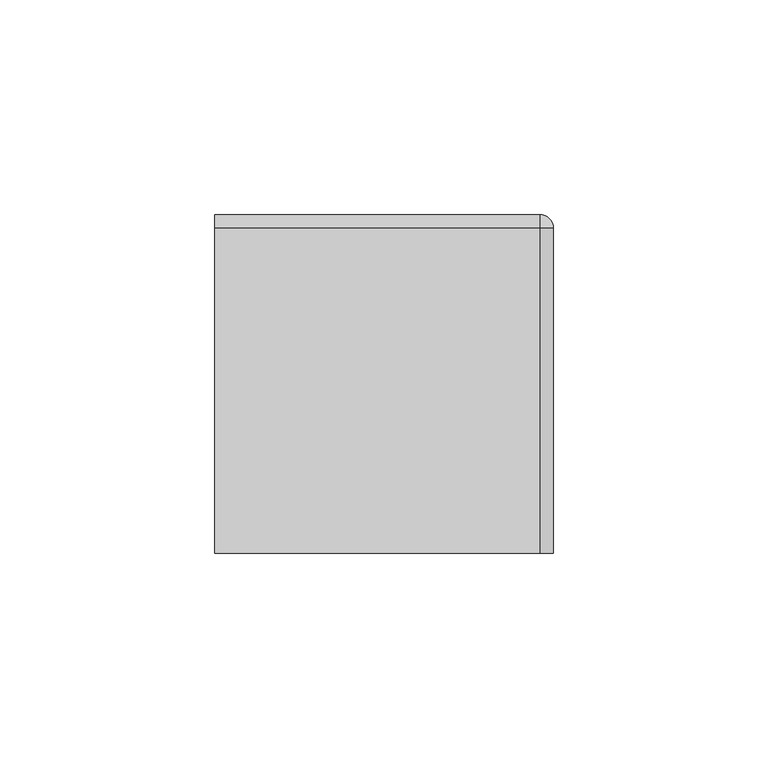
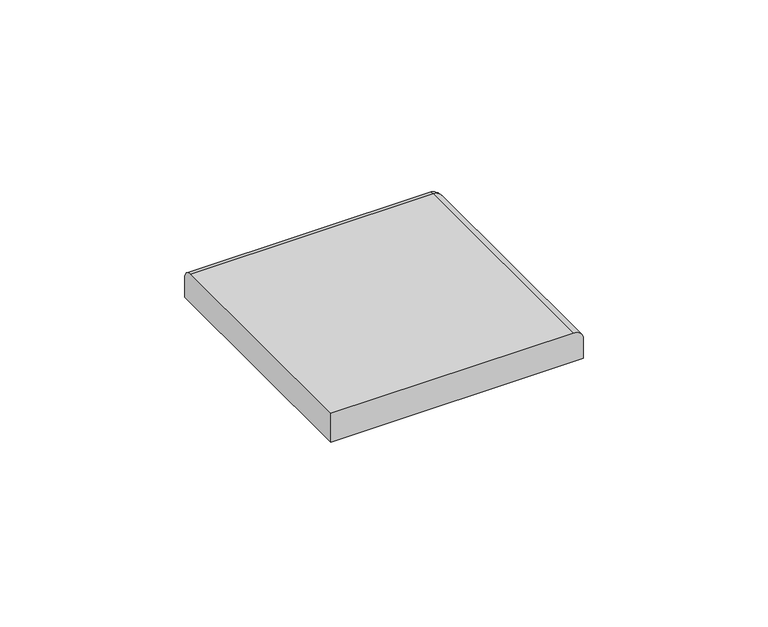
"""IFC4 building model written with IfcOpenShell, lengths in millimetres: furniture geometry."""

from ifc_helpers import new_model, si_unit, point, frame, origin, place, context, project, spatial, circle_curve, ellipse_curve, trimmed, source, transform, mapped, element, save
from ifc_brep_helpers import plane_surface, cylinder_surface, revolved_surface, advanced_brep


def furniture_005c7228(model_context):
    return source(origin(), model_context, "Body", "AdvancedBrep", [
        advanced_brep(
        [(39.4890625, -39.4890625, 1709.1421875), (39.4890625, -39.4890625, 1715.4921883), (36.3140655, -39.4890625, 1718.6671875), (-39.4890625, -39.4890625, 1718.6671875), (-39.4890625, -39.4890625, 1709.1421875), (39.4890625, 36.3140625, 1709.1421875), (39.4890625, 36.3140625, 1715.4921883), (36.3140655, 36.3140625, 1718.6671875), (-39.4890625, 36.3140633, 1718.6671875), (36.3140655, 36.3140625, 1709.1421875), (-39.4890625, 39.4890625, 1709.1421875), (36.3140655, 39.4890625, 1709.1421875), (-39.4890625, 39.4890625, 1715.4921883), (36.3140655, 39.4890625, 1715.4921883)],
        [
            (0, 1),
            (1, 2, circle_curve(frame((36.3140655, -39.4890625, 1715.4921905), z_axis=(0.0, -1.0, 0.0), x_axis=(-1.0, 0.0, 0.0)), 3.174997)),
            (2, 3),
            (3, 4),
            (4, 0),
            (0, 5),
            (5, 6),
            (6, 1),
            (2, 7),
            (7, 8),
            (8, 3),
            (5, 9),
            (9, 7),
            (7, 6, circle_curve(frame((36.3140655, 36.3140625, 1715.4921905), z_axis=(0.0, 1.0, 0.0), x_axis=(-1.0, 0.0, 0.0)), 3.174997)),
            (4, 10),
            (10, 11),
            (11, 9),
            (8, 12, circle_curve(frame((-39.4890625, 36.3140633, 1715.4921883), z_axis=(-1.0, 0.0, 0.0), x_axis=(0.0, -1.0, 0.0)), 3.1749992)),
            (12, 10),
            (11, 13),
            (13, 7, circle_curve(frame((36.3140655, 36.3140633, 1715.4921883), z_axis=(1.0, 0.0, 0.0), x_axis=(0.0, -1.0, 0.0)), 3.1749992)),
            (12, 13),
        ],
        [
            plane_surface(frame((39.4890625, -39.4890625, 1718.6671875), z_axis=(0.0, -1.0, 0.0), x_axis=(0.0, 0.0, 1.0))),
            plane_surface(frame((39.4890625, -39.4890625, 1709.1421875), z_axis=(1.0, 0.0, 0.0), x_axis=(0.0, 1.0, 0.0))),
            plane_surface(frame((36.3140655, -39.4890625, 1718.6671875), z_axis=(0.0, 0.0, 1.0), x_axis=(0.0, 1.0, 0.0))),
            plane_surface(frame((39.4890625, 36.3140625, 1718.6671875), z_axis=(0.0, 1.0, 0.0), x_axis=(0.0, 0.0, 1.0))),
            plane_surface(frame((-39.4890625, -39.4890625, 1709.1421875), z_axis=(0.0, 0.0, -1.0), x_axis=(0.0, 1.0, 0.0))),
            cylinder_surface(frame((36.3140655, -39.4890625, 1715.4921905), z_axis=(0.0, -1.0, 0.0), x_axis=(-1.0, 0.0, 0.0)), 3.174997),
            plane_surface(frame((-39.4890625, -39.4890625, 1718.6671875), z_axis=(-1.0, 0.0, 0.0), x_axis=(0.0, 1.0, 0.0))),
            plane_surface(frame((36.3140655, 39.4890625, 0.0), z_axis=(1.0, 0.0, 0.0), x_axis=(0.0, 0.0, 1.0))),
            plane_surface(frame((36.3140655, 39.4890625, 1709.1421875), z_axis=(0.0, 1.0, 0.0), x_axis=(-1.0, 0.0, 0.0))),
            cylinder_surface(frame((36.3140655, 36.3140633, 1715.4921883), z_axis=(1.0, 0.0, 0.0), x_axis=(0.0, -1.0, 0.0)), 3.1749992),
        ],
        [
            (0, [[1, 2, 3, 4, 5]]),
            (1, [[-1, 6, 7, 8]]),
            (2, [[-3, 9, 10, 11]]),
            (3, [[-7, 12, 13, 14]]),
            (4, [[-5, 15, 16, 17, -12, -6]]),
            (5, [[-2, -8, -14, -9]]),
            (6, [[-15, -4, -11, 18, 19]]),
            (7, [[-17, 20, 21, -13]]),
            (8, [[-20, -16, -19, 22]]),
            (9, [[-21, -22, -18, -10]]),
        ],
    ),
        advanced_brep(
        [(36.3140655, 39.4890595, 1709.1421875), (36.3140655, 36.3140625, 1709.1421875), (36.3140655, 36.3140625, 1718.6671875), (36.3140655, 39.4890595, 1715.4921883), (39.4890625, 36.3140625, 1709.1421875), (39.4890625, 36.3140625, 1715.4921883)],
        [
            (0, 1),
            (1, 2),
            (2, 3, circle_curve(frame((36.3140655, 36.3140625, 1715.4921905), z_axis=(-1.0000000000000002, 0.0, 0.0), x_axis=(0.0, -1.0000000000000002, 0.0)), 3.174997)),
            (3, 0),
            (4, 5),
            (5, 2, circle_curve(frame((36.3140655, 36.3140625, 1715.4921905), z_axis=(0.0, -1.0000000000000002, 0.0), x_axis=(-1.0000000000000002, 0.0, 0.0)), 3.174997)),
            (1, 4),
            (0, 4, circle_curve(frame((36.3140655, 36.3140625, 1709.1421875), z_axis=(0.0, 0.0, -1.0), x_axis=(0.0, 1.0000000000000002, 0.0)), 3.174997)),
            (5, 3, circle_curve(frame((36.3140655, 36.3140625, 1715.4921883), z_axis=(0.0, 0.0, 1.0), x_axis=(0.0, 1.0000000000000002, 0.0)), 3.174997)),
        ],
        [
            plane_surface(frame((36.3140655, 36.3140625, 1709.1421875), z_axis=(-1.0, 0.0, 0.0), x_axis=(0.0, 1.0, 0.0))),
            plane_surface(frame((36.3140655, 36.3140625, 1709.1421875), z_axis=(0.0, -1.0, 0.0), x_axis=(1.0, 0.0, 0.0))),
            plane_surface(frame((36.3140655, 36.3140625, 1709.1421875), z_axis=(0.0, 0.0, -1.0), x_axis=(0.0, 1.0, 0.0))),
            revolved_surface(trimmed(ellipse_curve(frame((36.3140655, 36.3140625, 1715.4921905), z_axis=(-1.0000000000000002, 0.0, 0.0), x_axis=(0.0, -1.0000000000000002, 0.0)), 3.174997, 3.174997), [point((36.3140655, 36.3140625, 1718.6671875))], [point((36.3140655, 39.4890595, 1715.4921883))], True, "CARTESIAN"), (36.3140655, 36.3140625, 1709.1421875), (0.0, 0.0, -1.0)),
            cylinder_surface(frame((36.3140655, 36.3140625, 1709.1421875), z_axis=(0.0, 0.0, -1.0), x_axis=(0.0, 1.0000000000000002, 0.0)), 3.174997),
        ],
        [
            (0, [[1, 2, 3, 4]]),
            (1, [[5, 6, -2, 7]]),
            (2, [[-1, 8, -7]]),
            (3, [[9, -3, -6]]),
            (4, [[-8, -4, -9, -5]]),
        ],
    ),
    ])


if __name__ == "__main__":
    model = new_model("IFC4")
    model_context = context("Model", 3, world=origin())
    ifc_project = project(units=[si_unit("LENGTHUNIT", "METRE", prefix="MILLI")], contexts=[model_context])
    site = spatial("IfcSite", under=ifc_project)
    building = spatial("IfcBuilding", under=site)
    placement = place(None, origin())
    furniture_shape = furniture_005c7228(model_context)
    element("IfcFurniture", 1, at=placement, inside=building, context=model_context, shape_type="MappedRepresentation", body=[
        mapped(furniture_shape, transform((0.0, 0.0, 0.0), x_axis=(1.0, 0.0, 0.0), y_axis=(0.0, 1.0, 0.0), z_axis=(0.0, 0.0, 1.0))),
    ])
    save(model, "model.ifc")
